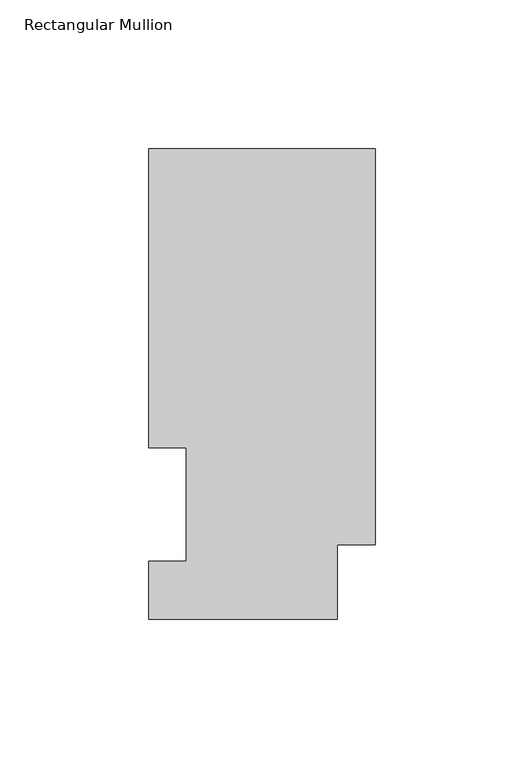
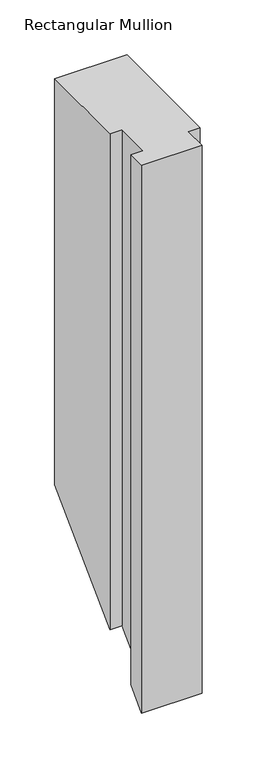
"""IFC4 building model written with IfcOpenShell, lengths in millimetres: member geometry, Rectangular Mullion."""

from ifc_helpers import new_model, si_unit, origin, place, context, project, spatial, faceted_brep, source, transform, mapped, element, save


def rectangular_mullion_18cdca23(model_context):
    return source(origin(), model_context, "Body", "Brep", [
        faceted_brep([(-76.2, 158.3316937, 0.0), (-76.2, 57.6460938, 0.0), (-63.5, 57.6460938, 0.0), (-63.5, 19.5460937, 0.0), (-76.2, 19.5460937, 0.0), (-76.2, 0.0134937, 0.0), (-12.7, 0.0134937, 0.0), (-12.7, 25.0832937, 0.0), (0.0, 25.0832937, 0.0), (0.0, 158.3316937, 0.0), (-76.2, 158.3316937, -451.2683063), (-76.2, 57.6460938, -551.9539063), (-63.5, 57.6460938, -551.9539063), (-63.5, 19.5460937, -590.0539063), (-76.2, 19.5460937, -590.0539063), (-76.2, 0.0134937, -609.5865063), (-12.7, 0.0134937, -609.5865063), (-12.7, 25.0832937, -584.5167063), (0.0, 25.0832937, -584.5167063), (0.0, 158.3316937, -451.2683063)], [[[0, 1, 2, 3, 4, 5, 6, 7, 8, 9]], [[1, 0, 10, 11]], [[2, 1, 11, 12]], [[3, 2, 12, 13]], [[4, 3, 13, 14]], [[5, 4, 14, 15]], [[6, 5, 15, 16]], [[7, 6, 16, 17]], [[8, 7, 17, 18]], [[9, 8, 18, 19]], [[0, 9, 19, 10]], [[10, 19, 18, 17, 16, 15, 14, 13, 12, 11]]]),
    ])


if __name__ == "__main__":
    model = new_model("IFC4")
    model_context = context("Model", 3, world=origin())
    ifc_project = project(units=[si_unit("LENGTHUNIT", "METRE", prefix="MILLI")], contexts=[model_context])
    site = spatial("IfcSite", under=ifc_project)
    building = spatial("IfcBuilding", under=site)
    placement = place(None, origin())
    rectangular_mullion_shape = rectangular_mullion_18cdca23(model_context)
    element("IfcMember", 1, ObjectType="Rectangular Mullion", at=placement, inside=building, context=model_context, shape_type="MappedRepresentation", body=[
        mapped(rectangular_mullion_shape, transform((0.0, 0.0, 0.0), x_axis=(1.0, 0.0, 0.0), y_axis=(0.0, 1.0, 0.0), z_axis=(0.0, 0.0, 1.0))),
    ])
    save(model, "model.ifc")
